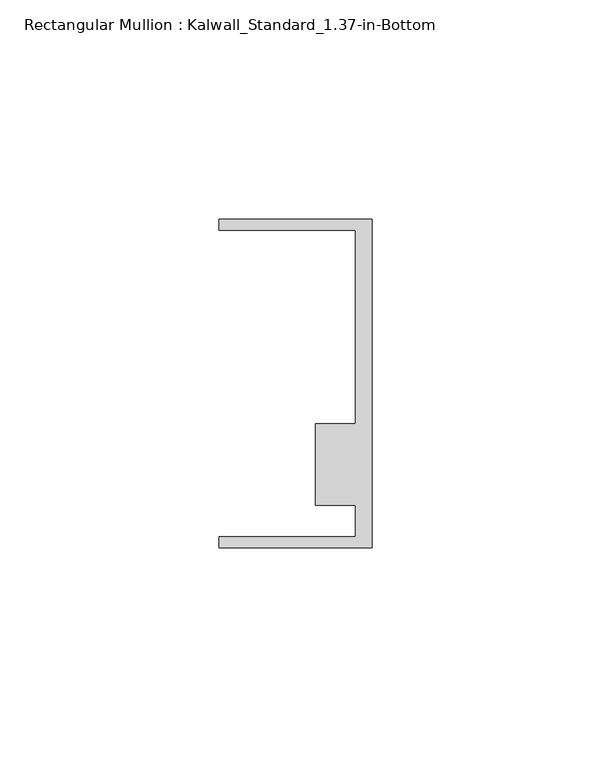
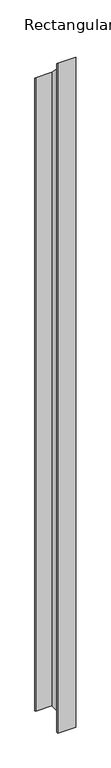
"""IFC4 building model written with IfcOpenShell, lengths in millimetres: member geometry, Rectangular Mullion : Kalwall_Standard_1.37-in-Bottom."""

from ifc_helpers import new_model, si_unit, origin, place, context, project, spatial, faceted_brep, source, transform, mapped, element, save


def rectangular_mullion_kalwall_standard_1_37_in_bottom_20083128(model_context):
    return source(origin(), model_context, "Body", "Brep", [
        faceted_brep([(0.0, -37.5776386, -1316.2060003), (-34.925, -37.5776386, -1316.2060003), (-34.925, -35.0376386, -1316.2060003), (-3.7084, -35.0376386, -1316.2060003), (-3.7084, -27.8888568, -1316.2060003), (-12.8272539, -27.8888568, -1316.2060003), (-12.8272539, -9.1879886, -1316.2060003), (-3.7084, -9.1879886, -1316.2060003), (-3.7084, 34.9623614, -1316.2060003), (-34.925, 34.9623614, -1316.2060003), (-34.925, 37.5023614, -1316.2060003), (0.0, 37.5023614, -1316.2060003), (0.0, 37.5023614, -37.5023614), (0.0, -37.5776386, 37.5776386), (-34.925, 37.5023614, -37.5023614), (-34.925, 34.9623614, -34.9623614), (-3.7084, 34.9623614, -34.9623614), (-3.7084, -9.1879886, 9.1879886), (-12.8272539, -9.1879886, 9.1879886), (-12.8272539, -27.8888568, 27.8888568), (-3.7084, -27.8888568, 27.8888568), (-3.7084, -35.0376386, 35.0376386), (-34.925, -35.0376386, 35.0376386), (-34.925, -37.5776386, 37.5776386)], [[[0, 1, 2, 3, 4, 5, 6, 7, 8, 9, 10, 11]], [[12, 13, 0, 11]], [[14, 12, 11, 10]], [[15, 14, 10, 9]], [[16, 15, 9, 8]], [[17, 16, 8, 7]], [[18, 17, 7, 6]], [[19, 18, 6, 5]], [[20, 19, 5, 4]], [[21, 20, 4, 3]], [[22, 21, 3, 2]], [[23, 22, 2, 1]], [[13, 23, 1, 0]], [[13, 12, 14, 15, 16, 17, 18, 19, 20, 21, 22, 23]]]),
    ])


if __name__ == "__main__":
    model = new_model("IFC4")
    model_context = context("Model", 3, world=origin())
    ifc_project = project(units=[si_unit("LENGTHUNIT", "METRE", prefix="MILLI")], contexts=[model_context])
    site = spatial("IfcSite", under=ifc_project)
    building = spatial("IfcBuilding", under=site)
    placement = place(None, origin())
    rectangular_mullion_kalwall_standard_1_37_in_bottom_shape = rectangular_mullion_kalwall_standard_1_37_in_bottom_20083128(model_context)
    element("IfcMember", 1, ObjectType="Rectangular Mullion : Kalwall_Standard_1.37-in-Bottom", at=placement, inside=building, context=model_context, shape_type="MappedRepresentation", body=[
        mapped(rectangular_mullion_kalwall_standard_1_37_in_bottom_shape, transform((0.0, 0.0, 0.0), x_axis=(1.0, 0.0, 0.0), y_axis=(0.0, 1.0, 0.0), z_axis=(0.0, 0.0, 1.0))),
    ])
    save(model, "model.ifc")
